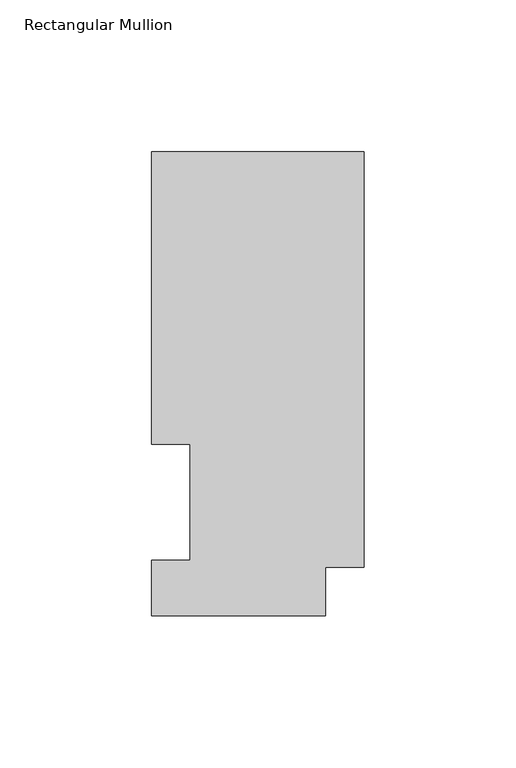
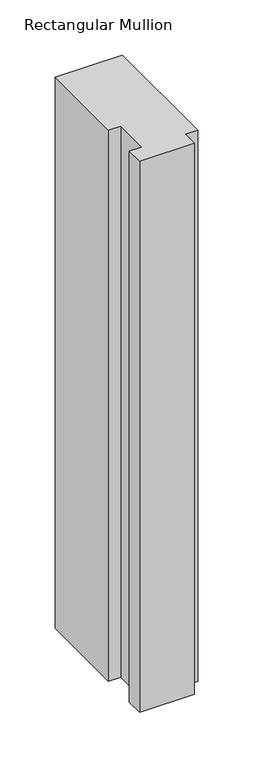
"""IFC4 building model written with IfcOpenShell, lengths in millimetres: member geometry, Rectangular Mullion."""

from ifc_helpers import new_model, si_unit, frame, origin, place, context, project, spatial, polyline, outline, extrude, source, transform, mapped, element, save


def rectangular_mullion_07501a76(model_context):
    return source(origin(), model_context, "Body", "SweptSolid", [
        extrude(outline(polyline([(-69.9516, 152.6475062), (0.0, 152.6475062), (0.0, 15.86865), (-12.8016, 15.86865), (-12.8016, -0.03175), (-69.9516, -0.03175), (-69.9516, 18.25625), (-57.2516, 18.25625), (-57.2516, 56.35625), (-69.9516, 56.35625), (-69.9516, 152.6475062)])), frame((0.0, 0.0, -609.6), z_axis=(0.0, 0.0, 1.0), x_axis=(1.0, 0.0, 0.0)), (0.0, 0.0, 1.0), 609.6),
    ])


if __name__ == "__main__":
    model = new_model("IFC4")
    model_context = context("Model", 3, world=origin())
    ifc_project = project(units=[si_unit("LENGTHUNIT", "METRE", prefix="MILLI")], contexts=[model_context])
    site = spatial("IfcSite", under=ifc_project)
    building = spatial("IfcBuilding", under=site)
    placement = place(None, origin())
    rectangular_mullion_shape = rectangular_mullion_07501a76(model_context)
    element("IfcMember", 1, ObjectType="Rectangular Mullion", at=placement, inside=building, context=model_context, shape_type="MappedRepresentation", body=[
        mapped(rectangular_mullion_shape, transform((0.0, 0.0, 0.0), x_axis=(1.0, 0.0, 0.0), y_axis=(0.0, 1.0, 0.0), z_axis=(0.0, 0.0, 1.0))),
    ])
    save(model, "model.ifc")
